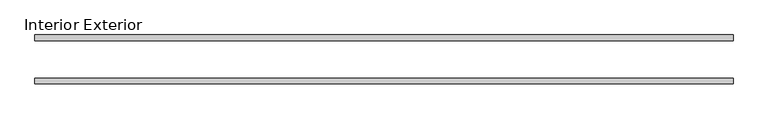
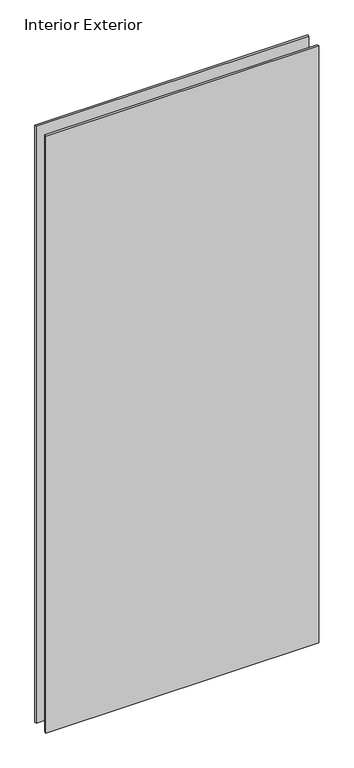
"""IFC4 building model written with IfcOpenShell, lengths in millimetres: plate geometry, Interior Exterior."""

from ifc_helpers import new_model, si_unit, origin, origin_with_axes, place, context, project, spatial, polyline, outline, extrude, source, transform, mapped, element, save


def interior_exterior_0e0b36ef(model_context):
    return source(origin(), model_context, "Body", "SweptSolid", [
        extrude(outline(polyline([(602.45625, -41.275), (-577.05625, -41.275), (-577.05625, -31.75), (602.45625, -31.75), (602.45625, -41.275)])), origin_with_axes(), (0.0, 0.0, 1.0), 2729.9999996),
        extrude(outline(polyline([(602.45625, 41.275), (602.45625, 31.75), (-577.05625, 31.75), (-577.05625, 41.275), (602.45625, 41.275)])), origin_with_axes(), (0.0, 0.0, 1.0), 2729.9999996),
    ])


if __name__ == "__main__":
    model = new_model("IFC4")
    model_context = context("Model", 3, world=origin())
    ifc_project = project(units=[si_unit("LENGTHUNIT", "METRE", prefix="MILLI")], contexts=[model_context])
    site = spatial("IfcSite", under=ifc_project)
    building = spatial("IfcBuilding", under=site)
    placement = place(None, origin())
    interior_exterior_shape = interior_exterior_0e0b36ef(model_context)
    element("IfcPlate", 1, ObjectType="Interior Exterior", at=placement, inside=building, context=model_context, shape_type="MappedRepresentation", body=[
        mapped(interior_exterior_shape, transform((0.0, 0.0, 0.0), x_axis=(1.0, 0.0, 0.0), y_axis=(0.0, 1.0, 0.0), z_axis=(0.0, 0.0, 1.0))),
    ])
    save(model, "model.ifc")
